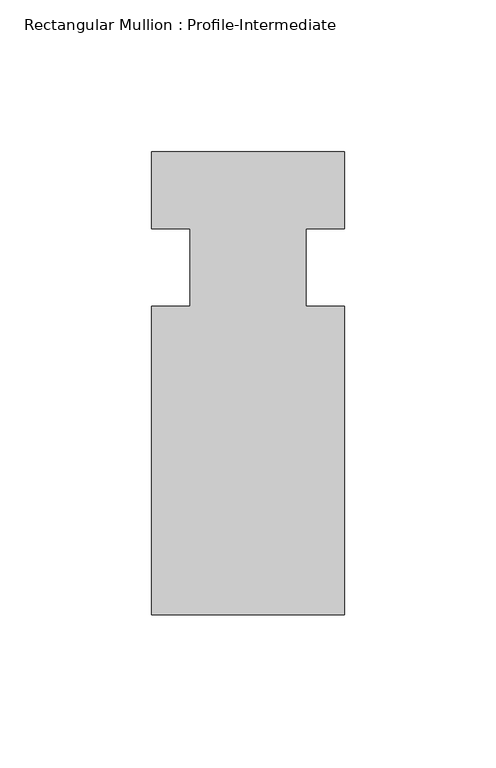
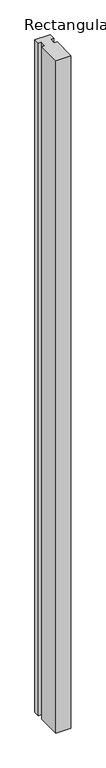
"""IFC4 building model written with IfcOpenShell, lengths in millimetres: member geometry, Rectangular Mullion : Profile-Intermediate."""

from ifc_helpers import new_model, si_unit, frame, origin, place, context, project, spatial, polyline, outline, extrude, source, transform, mapped, element, save


def rectangular_mullion_profile_intermediate_826f642e(model_context):
    return source(origin(), model_context, "Body", "SweptSolid", [
        extrude(outline(polyline([(-63.5, 38.1), (0.0, 38.1), (0.0, 12.7), (-12.7, 12.7), (-12.7, -12.7), (0.0, -12.7), (0.0, -114.3), (-63.5, -114.3), (-63.5, -12.7), (-50.8, -12.7), (-50.8, 12.7), (-63.5, 12.7), (-63.5, 38.1)])), frame((0.0, 0.0, -2984.5), z_axis=(0.0, 0.0, 1.0), x_axis=(1.0, 0.0, 0.0)), (0.0, 0.0, 1.0), 2984.5),
    ])


if __name__ == "__main__":
    model = new_model("IFC4")
    model_context = context("Model", 3, world=origin())
    ifc_project = project(units=[si_unit("LENGTHUNIT", "METRE", prefix="MILLI")], contexts=[model_context])
    site = spatial("IfcSite", under=ifc_project)
    building = spatial("IfcBuilding", under=site)
    placement = place(None, origin())
    rectangular_mullion_profile_intermediate_shape = rectangular_mullion_profile_intermediate_826f642e(model_context)
    element("IfcMember", 1, ObjectType="Rectangular Mullion : Profile-Intermediate", at=placement, inside=building, context=model_context, shape_type="MappedRepresentation", body=[
        mapped(rectangular_mullion_profile_intermediate_shape, transform((0.0, 0.0, 0.0), x_axis=(1.0, 0.0, 0.0), y_axis=(0.0, 1.0, 0.0), z_axis=(0.0, 0.0, 1.0))),
    ])
    save(model, "model.ifc")
